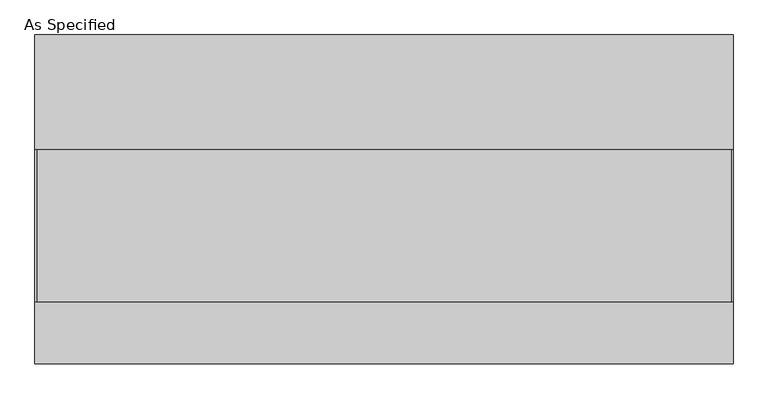
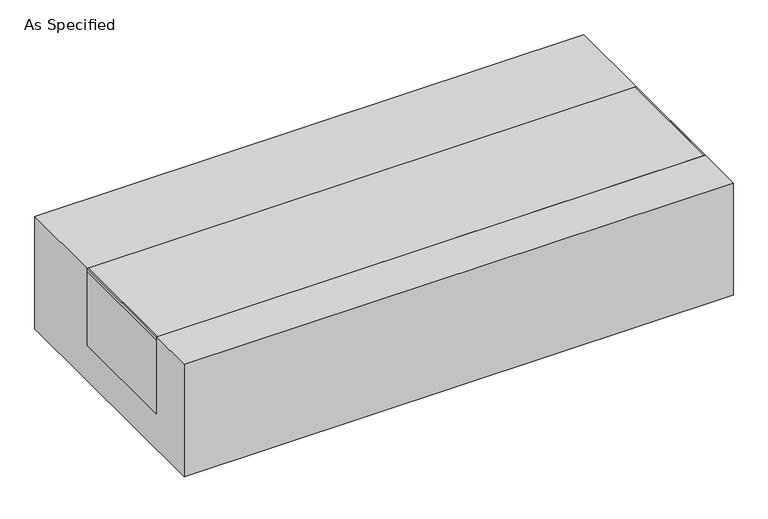
"""IFC4 building model written with IfcOpenShell, lengths in millimetres: proxy geometry, As Specified."""

from ifc_helpers import new_model, si_unit, point, frame, frame_2d, origin, place, context, project, spatial, polyline, circle_curve, trimmed, segment, composite_curve, outline, extrude, source, transform, mapped, element, save


def as_specified_1cc963f0(model_context):
    return source(origin(), model_context, "Body", "SweptSolid", [
        extrude(outline(composite_curve([segment(trimmed(circle_curve(frame_2d((846.8125, -499.275)), 10.5), [point((846.8125, -509.775))], [point((846.8125, -488.775))], False, "CARTESIAN"), True, "CONTINUOUS"), segment(trimmed(circle_curve(frame_2d((846.8125, -499.275)), 10.5), [point((846.8125, -488.775))], [point((846.8125, -509.775))], False, "CARTESIAN"), True, "CONTINUOUS")], self_intersect=False)), frame((0.0, 0.0, -562.225), z_axis=(0.0, 0.0, 1.0), x_axis=(1.0, 0.0, 0.0)), (0.0, 0.0, 1.0), 32.0),
        extrude(outline(polyline([(-1161.25625, -342.9), (-1166.8125, -342.9), (-1166.8125, 165.1), (-1161.25625, 165.1), (-1161.25625, -342.9)])), frame((0.0, 0.0, -39.6875), z_axis=(0.0, 0.0, 1.0), x_axis=(1.0, 0.0, 0.0)), (0.0, 0.0, 1.0), 14.2875),
        extrude(outline(polyline([(1162.84375, 165.1), (1166.8125, 165.1), (1166.8125, -342.9), (1162.84375, -342.9), (1162.84375, 165.1)])), frame((0.0, 0.0, -39.6875), z_axis=(0.0, 0.0, 1.0), x_axis=(1.0, 0.0, 0.0)), (0.0, 0.0, 1.0), 14.2875),
        extrude(outline(polyline([(1166.8125, 165.1), (1166.8125, -342.9), (-1166.8125, -342.9), (-1166.8125, 165.1), (1166.8125, 165.1)])), frame((0.0, 0.0, -373.0625), z_axis=(0.0, 0.0, 1.0), x_axis=(1.0, 0.0, 0.0)), (0.0, 0.0, 1.0), 347.6625),
        extrude(outline(polyline([(549.275, -25.4), (549.275, -530.225), (-549.275, -530.225), (-549.275, -25.4), (-342.9, -25.4), (-342.9, -373.0625), (165.1, -373.0625), (165.1, -25.4), (549.275, -25.4)])), frame((-1166.8125, 0.0, 0.0), z_axis=(1.0, 0.0, 0.0), x_axis=(0.0, 1.0, 0.0)), (0.0, 0.0, 1.0), 2333.625),
    ])


if __name__ == "__main__":
    model = new_model("IFC4")
    model_context = context("Model", 3, world=origin())
    ifc_project = project(units=[si_unit("LENGTHUNIT", "METRE", prefix="MILLI")], contexts=[model_context])
    site = spatial("IfcSite", under=ifc_project)
    building = spatial("IfcBuilding", under=site)
    placement = place(None, origin())
    as_specified_shape = as_specified_1cc963f0(model_context)
    element("IfcBuildingElementProxy", 1, Name="As Specified", ObjectType="As Specified", at=placement, inside=building, context=model_context, shape_type="MappedRepresentation", body=[
        mapped(as_specified_shape, transform((0.0, 0.0, 0.0), x_axis=(1.0, 0.0, 0.0), y_axis=(0.0, 1.0, 0.0), z_axis=(0.0, 0.0, 1.0))),
    ])
    save(model, "model.ifc")
